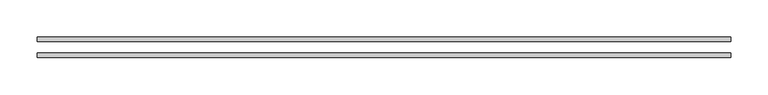
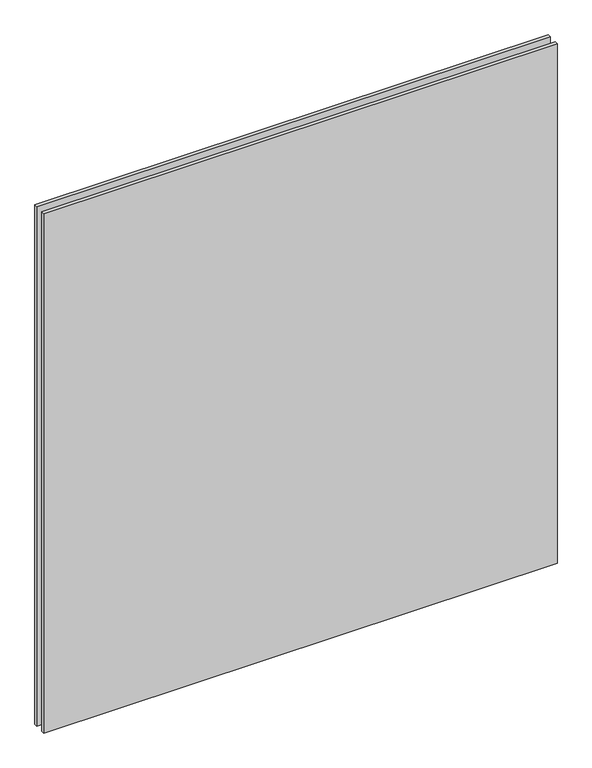
"""IFC4 building model written with IfcOpenShell, lengths in millimetres: plate geometry."""

from ifc_helpers import new_model, si_unit, origin, origin_with_axes, place, context, project, spatial, polyline, outline, extrude, source, transform, mapped, element, save


def plate_27855d3d(model_context):
    return source(origin(), model_context, "Body", "SweptSolid", [
        extrude(outline(polyline([(-467.7940491, 14.0), (467.7940491, 14.0), (467.7940491, 8.0), (-467.7940491, 8.0), (-467.7940491, 14.0)])), origin_with_axes(), (0.0, 0.0, 1.0), 1000.9999996),
        extrude(outline(polyline([(-467.7940491, -8.0), (467.7940491, -8.0), (467.7940491, -14.0), (-467.7940491, -14.0), (-467.7940491, -8.0)])), origin_with_axes(), (0.0, 0.0, 1.0), 1000.9999996),
    ])


if __name__ == "__main__":
    model = new_model("IFC4")
    model_context = context("Model", 3, world=origin())
    ifc_project = project(units=[si_unit("LENGTHUNIT", "METRE", prefix="MILLI")], contexts=[model_context])
    site = spatial("IfcSite", under=ifc_project)
    building = spatial("IfcBuilding", under=site)
    placement = place(None, origin())
    plate_shape = plate_27855d3d(model_context)
    element("IfcPlate", 1, at=placement, inside=building, context=model_context, shape_type="MappedRepresentation", body=[
        mapped(plate_shape, transform((0.0, 0.0, 0.0), x_axis=(1.0, 0.0, 0.0), y_axis=(0.0, 1.0, 0.0), z_axis=(0.0, 0.0, 1.0))),
    ])
    save(model, "model.ifc")
